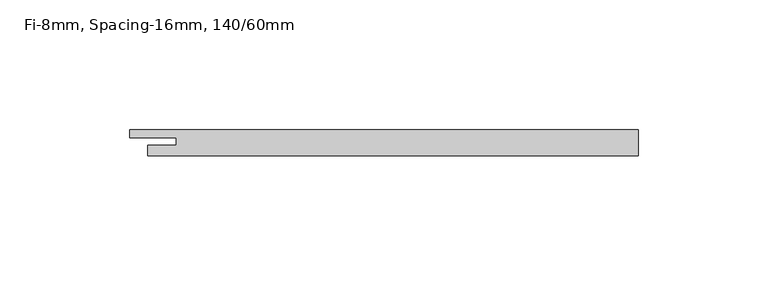
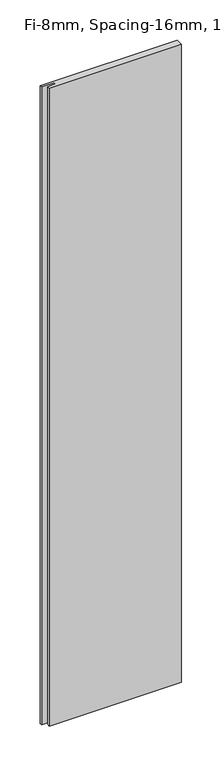
"""IFC4 building model written with IfcOpenShell, lengths in millimetres: plate geometry, Fi-8mm, Spacing-16mm, 140/60mm."""

from ifc_helpers import new_model, si_unit, origin, origin_with_axes, place, context, project, spatial, polyline, outline, extrude, source, transform, mapped, element, save


def fi_8mm_spacing_16mm_140_60mm_fc12639e(model_context):
    return source(origin(), model_context, "Body", "SweptSolid", [
        extrude(outline(polyline([(94.5, -5.0), (-94.5, -5.0), (-94.5, -1.0), (-83.5, -1.0), (-83.5, 2.0), (-101.5, 2.0), (-101.5, 5.0), (94.5, 5.0), (94.5, -5.0)])), origin_with_axes(), (0.0, 0.0, 1.0), 964.5),
    ])


if __name__ == "__main__":
    model = new_model("IFC4")
    model_context = context("Model", 3, world=origin())
    ifc_project = project(units=[si_unit("LENGTHUNIT", "METRE", prefix="MILLI")], contexts=[model_context])
    site = spatial("IfcSite", under=ifc_project)
    building = spatial("IfcBuilding", under=site)
    placement = place(None, origin())
    fi_8mm_spacing_16mm_140_60mm_shape = fi_8mm_spacing_16mm_140_60mm_fc12639e(model_context)
    element("IfcPlate", 1, ObjectType="Fi-8mm, Spacing-16mm, 140/60mm", at=placement, inside=building, context=model_context, shape_type="MappedRepresentation", body=[
        mapped(fi_8mm_spacing_16mm_140_60mm_shape, transform((0.0, 0.0, 0.0), x_axis=(1.0, 0.0, 0.0), y_axis=(0.0, 1.0, 0.0), z_axis=(0.0, 0.0, 1.0))),
    ])
    save(model, "model.ifc")
